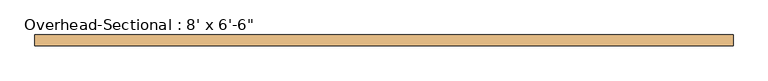
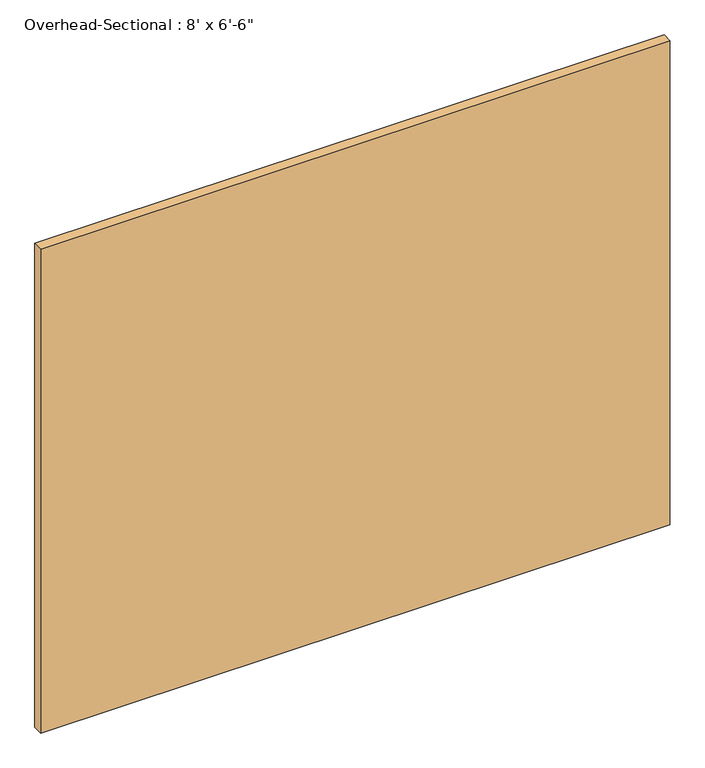
"""IFC4 building model written with IfcOpenShell, lengths in millimetres: door geometry."""

from ifc_helpers import new_model, si_unit, origin, origin_with_axes, place, context, project, spatial, polyline, outline, extrude, source, transform, mapped, element, save


def door_be48eeb6(model_context):
    return source(origin(), model_context, "Body", "SweptSolid", [
        extrude(outline(polyline([(1219.2, -101.6), (1219.2, -139.7), (-1219.2, -139.7), (-1219.2, -101.6), (1219.2, -101.6)])), origin_with_axes(), (0.0, 0.0, 1.0), 1981.2),
    ])


if __name__ == "__main__":
    model = new_model("IFC4")
    model_context = context("Model", 3, world=origin())
    ifc_project = project(units=[si_unit("LENGTHUNIT", "METRE", prefix="MILLI")], contexts=[model_context])
    site = spatial("IfcSite", under=ifc_project)
    building = spatial("IfcBuilding", under=site)
    placement = place(None, origin())
    door_shape = door_be48eeb6(model_context)
    element("IfcDoor", 1, ObjectType="Overhead-Sectional : 8' x 6'-6\"", at=placement, inside=building, context=model_context, shape_type="MappedRepresentation", body=[
        mapped(door_shape, transform((0.0, 0.0, 0.0), x_axis=(1.0, 0.0, 0.0), y_axis=(0.0, 1.0, 0.0), z_axis=(0.0, 0.0, 1.0))),
    ])
    save(model, "model.ifc")
